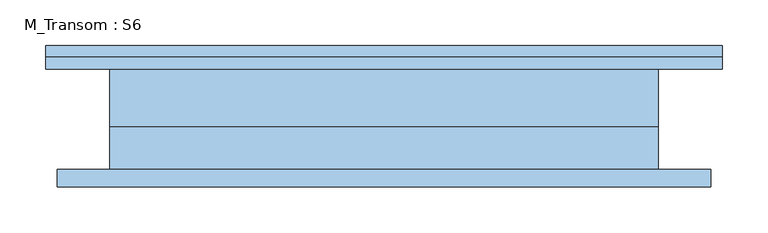
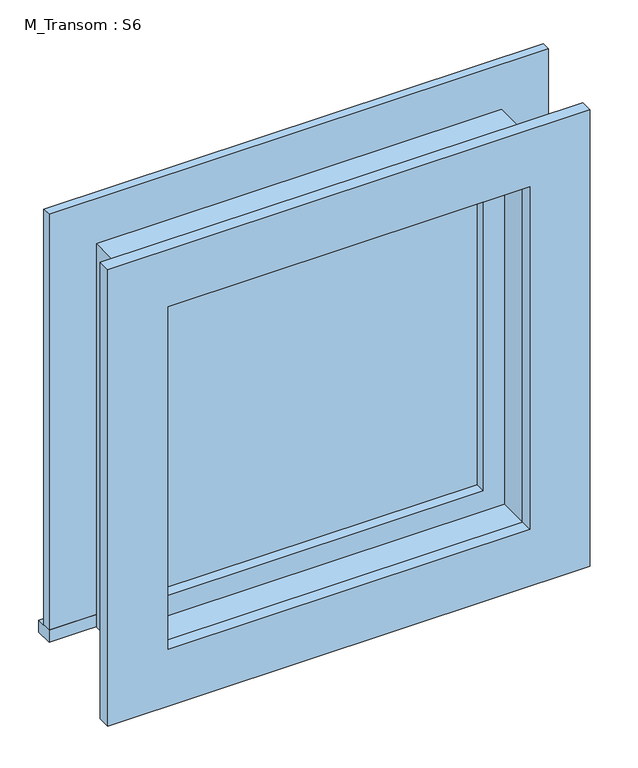
"""IFC4 building model written with IfcOpenShell, lengths in millimetres: window geometry, M_Transom : S6."""

import ifcopenshell
import ifcopenshell.guid

model = None  # the IFC model being written
_history = None  # IfcOwnerHistory: only IFC2X3 demands one
_inside = {}  # id of a spatial element -> (the spatial element, [elements in it])
_under = {}  # id of a project, library or spatial element -> (it, [spatial elements below it])
_declared = {}  # id of a project -> (the project, [libraries it declares])
_typed = {}  # id of a type object -> (the type object, [elements of that type])
_made_of = {}  # id of a material, layer set ... -> (it, [elements and type objects made of it])


def new_model(schema):
    """Start an empty IFC model of exactly this schema.

    Asked for "IFC4X3", IfcOpenShell would pick the latest addendum, in which some entities
    have other attributes; the version numbers below select the first issue.
    IFC2X3 requires an IfcOwnerHistory on every rooted entity: one is made here for all.
    """
    global model, _history
    if schema == "IFC4X3":
        model = ifcopenshell.file(schema_version=(4, 3, 0, 0))
    else:
        model = ifcopenshell.file(schema=schema)
    _inside.clear()
    _under.clear()
    _declared.clear()
    _typed.clear()
    _made_of.clear()
    _history = None
    if model.schema == "IFC2X3":
        org = make("IfcOrganization", Name="unknown")
        user = make(
            "IfcPersonAndOrganization",
            ThePerson=make("IfcPerson", FamilyName="unknown"),
            TheOrganization=org,
        )
        app = make(
            "IfcApplication",
            ApplicationDeveloper=org,
            Version="unknown",
            ApplicationFullName="unknown",
            ApplicationIdentifier="unknown",
        )
        _history = make(
            "IfcOwnerHistory",
            OwningUser=user,
            OwningApplication=app,
            ChangeAction="ADDED",
            CreationDate=0,
        )
    return model


def make(cls, **values):
    """One entity of the class cls with the attributes given. An attribute that is None is left unset."""
    return model.create_entity(
        cls, **{name: value for name, value in values.items() if value is not None}
    )


def rooted(cls, **values):
    """An entity with a GlobalId (a new one), such as an element, a storey or a relation."""
    return make(cls, GlobalId=ifcopenshell.guid.new(), OwnerHistory=_history, **values)


def si_unit(unit_type, name, prefix=None):
    """IfcSIUnit, for example si_unit("LENGTHUNIT", "METRE", prefix="MILLI")."""
    return make("IfcSIUnit", UnitType=unit_type, Prefix=prefix, Name=name)


def assignment(units):
    """IfcUnitAssignment: the units of a project."""
    return None if units is None else make("IfcUnitAssignment", Units=units)


def point(xyz):
    """IfcCartesianPoint."""
    return None if xyz is None else make("IfcCartesianPoint", Coordinates=xyz)


def direction(xyz):
    """IfcDirection."""
    return None if xyz is None else make("IfcDirection", DirectionRatios=xyz)


def frame(location, z_axis=None, x_axis=None):
    """IfcAxis2Placement3D, a coordinate frame: its origin and axes. An axis left out is left unset."""
    return make(
        "IfcAxis2Placement3D",
        Location=point(location),
        Axis=direction(z_axis),
        RefDirection=direction(x_axis),
    )


def origin():
    """The frame at (0, 0, 0) with its axes left unset."""
    return frame((0.0, 0.0, 0.0))


def place(relative_to, where):
    """IfcLocalPlacement: puts the frame where relative to a parent placement (None: the world)."""
    return make(
        "IfcLocalPlacement", PlacementRelTo=relative_to, RelativePlacement=where
    )


def context(
    kind, dimensions, precision=None, world=None, true_north=None, identifier=None
):
    """IfcGeometricRepresentationContext, for example the 3D "Model" context."""
    return make(
        "IfcGeometricRepresentationContext",
        ContextIdentifier=identifier,
        ContextType=kind,
        CoordinateSpaceDimension=dimensions,
        Precision=precision,
        WorldCoordinateSystem=world,
        TrueNorth=true_north,
    )


def project(units=None, contexts=None):
    """IfcProject with its units and contexts."""
    return rooted(
        "IfcProject",
        Name="project",
        RepresentationContexts=contexts,
        UnitsInContext=assignment(units),
    )


def spatial(cls, under=None, at=None, **own):
    """A site, building, storey or space (cls), placed at a placement, below another one or the project."""
    s = rooted(cls, ObjectPlacement=at, **own)
    if under is not None:
        _under.setdefault(under.id(), (under, []))[1].append(s)
    return s


def polyline(points):
    """IfcPolyline through the points."""
    return make("IfcPolyline", Points=[point(p) for p in points])


def outline(outer, holes=None, kind="AREA"):
    """IfcArbitraryClosedProfileDef: a profile drawn as a closed curve; with holes, ...WithVoids."""
    if holes is None:
        return make("IfcArbitraryClosedProfileDef", ProfileType=kind, OuterCurve=outer)
    return make(
        "IfcArbitraryProfileDefWithVoids",
        ProfileType=kind,
        OuterCurve=outer,
        InnerCurves=holes,
    )


def extrude(swept, where, along, depth):
    """IfcExtrudedAreaSolid: the profile swept, set in the frame where, extruded along a direction by depth."""
    return make(
        "IfcExtrudedAreaSolid",
        SweptArea=swept,
        Position=where,
        ExtrudedDirection=direction(along),
        Depth=depth,
    )


def shape(context_of_items, identifier, shape_type, items):
    """IfcShapeRepresentation: the items that make up one representation, for example the "Body"."""
    return make(
        "IfcShapeRepresentation",
        ContextOfItems=context_of_items,
        RepresentationIdentifier=identifier,
        RepresentationType=shape_type,
        Items=items,
    )


def source(mapping_origin, context_of_items, identifier, shape_type, items):
    """IfcRepresentationMap: a shape defined once, which mapped items show again and again."""
    return make(
        "IfcRepresentationMap",
        MappingOrigin=mapping_origin,
        MappedRepresentation=shape(context_of_items, identifier, shape_type, items),
    )


def transform(
    local_origin,
    x_axis=None,
    y_axis=None,
    z_axis=None,
    scale=None,
    scale2=None,
    scale3=None,
    uniform=True,
):
    """IfcCartesianTransformationOperator3D, or its non-uniform kind. x_axis, y_axis, z_axis: its Axis1, 2, 3."""
    if uniform:
        return make(
            "IfcCartesianTransformationOperator3D",
            Axis1=direction(x_axis),
            Axis2=direction(y_axis),
            LocalOrigin=point(local_origin),
            Scale=scale,
            Axis3=direction(z_axis),
        )
    return make(
        "IfcCartesianTransformationOperator3DnonUniform",
        Axis1=direction(x_axis),
        Axis2=direction(y_axis),
        LocalOrigin=point(local_origin),
        Scale=scale,
        Axis3=direction(z_axis),
        Scale2=scale2,
        Scale3=scale3,
    )


def mapped(mapping_source, mapping_target):
    """IfcMappedItem: shows the shape of a source again, moved by a transform."""
    return make(
        "IfcMappedItem", MappingSource=mapping_source, MappingTarget=mapping_target
    )


def made_of(thing, what):
    """Note that an element or type object is made of a material, layer set ...; save() writes the relation."""
    if what is not None:
        _made_of.setdefault(what.id(), (what, []))[1].append(thing)
    return thing


def element(
    cls,
    number,
    at=None,
    inside=None,
    cuts=None,
    type_object=None,
    material=None,
    context=None,
    identifier="Body",
    shape_type=None,
    held_by="IfcProductDefinitionShape",
    body=None,
    shapes=None,
    **own,
):
    """One element of the class cls, such as IfcWall. Its Tag is "e" and its number.

    at: its placement. inside: the storey or other place that contains it. cuts: it is an
    opening in that element (IfcRelVoidsElement). A single representation is given by context,
    identifier, shape_type and body (its items); several are given by shapes. held_by: the class
    of the entity that holds the representations. save() writes the other relations.
    """
    e = rooted(cls, Tag="e%d" % number, ObjectPlacement=at, **own)
    if body is not None:
        shapes = [shape(context, identifier, shape_type, body)]
    if shapes is not None:
        e.Representation = make(held_by, Representations=shapes)
    if inside is not None:
        _inside.setdefault(inside.id(), (inside, []))[1].append(e)
    if cuts is not None:
        rooted(
            "IfcRelVoidsElement", RelatingBuildingElement=cuts, RelatedOpeningElement=e
        )
    if type_object is not None:
        _typed.setdefault(type_object.id(), (type_object, []))[1].append(e)
    return made_of(e, material)


def aggregate(whole, parts):
    """IfcRelAggregates: a whole, such as a stair, and the parts it consists of."""
    return rooted("IfcRelAggregates", RelatingObject=whole, RelatedObjects=parts)


def save(model, path):
    """Write the relations noted so far, then the file.

    IfcRelAggregates (storeys below a building ...), IfcRelContainedInSpatialStructure (elements
    in a storey), IfcRelDefinesByType, IfcRelAssociatesMaterial and IfcRelDeclares: one each for
    every whole, place, type object, material and project.
    """
    for whole, parts in _under.values():
        aggregate(whole, parts)
    for where, things in _inside.values():
        rooted(
            "IfcRelContainedInSpatialStructure",
            RelatedElements=things,
            RelatingStructure=where,
        )
    for kind, things in _typed.values():
        rooted("IfcRelDefinesByType", RelatedObjects=things, RelatingType=kind)
    for what, things in _made_of.values():
        rooted("IfcRelAssociatesMaterial", RelatedObjects=things, RelatingMaterial=what)
    for by, libraries in _declared.values():
        rooted("IfcRelDeclares", RelatingContext=by, RelatedDefinitions=libraries)
    model.write(path)


def m_transom_s6_bc3c97d9(model_context):
    return source(origin(), model_context, "Body", "SweptSolid", [
        extrude(outline(polyline([(-408.05, 80.7), (331.85, 80.7), (331.85, 55.0), (-408.05, 55.0), (-408.05, 80.7)])), frame((0.0, 0.0, 2159.0), z_axis=(0.0, 0.0, 1.0), x_axis=(1.0, 0.0, 0.0)), (0.0, 0.0, 1.0), 19.05),
        extrude(outline(polyline([(2739.95, -319.05), (2739.95, 242.85), (2178.05, 242.85), (2178.05, 331.85), (2828.95, 331.85), (2828.95, -408.05), (2178.05, -408.05), (2178.05, -319.05), (2739.95, -319.05)])), frame((0.0, 55.0, 0.0), z_axis=(0.0, 1.0, 0.0), x_axis=(0.0, 0.0, 1.0)), (0.0, 0.0, 1.0), 13.0),
        extrude(outline(polyline([(2816.25, 319.15), (2816.25, -395.35), (2101.75, -395.35), (2101.75, 319.15), (2816.25, 319.15)]), holes=[polyline([(2727.25, 230.15), (2190.75, 230.15), (2190.75, -306.35), (2727.25, -306.35), (2727.25, 230.15)])]), frame((0.0, -74.0, 0.0), z_axis=(0.0, 1.0, 0.0), x_axis=(0.0, 0.0, 1.0)), (0.0, 0.0, 1.0), 19.0),
        extrude(outline(polyline([(198.4, 7.425), (-274.6, 7.425), (-274.6, 20.125), (198.4, 20.125), (198.4, 7.425)])), frame((0.0, 0.0, 2222.5), z_axis=(0.0, 0.0, 1.0), x_axis=(1.0, 0.0, 0.0)), (0.0, 0.0, 1.0), 473.0),
        extrude(outline(polyline([(2739.95, -319.05), (2178.05, -319.05), (2178.05, 242.85), (2739.95, 242.85), (2739.95, -319.05)]), holes=[polyline([(2695.5, -274.6), (2695.5, 198.4), (2222.5, 198.4), (2222.5, -274.6), (2695.5, -274.6)])]), frame((0.0, -8.45, 0.0), z_axis=(0.0, 1.0, 0.0), x_axis=(0.0, 0.0, 1.0)), (0.0, 0.0, 1.0), 44.45),
        extrude(outline(polyline([(2759.0, -338.1), (2159.0, -338.1), (2159.0, 261.9), (2759.0, 261.9), (2759.0, -338.1)]), holes=[polyline([(2727.25, -306.35), (2727.25, 230.15), (2190.75, 230.15), (2190.75, -306.35), (2727.25, -306.35)])]), frame((0.0, -55.0, 0.0), z_axis=(0.0, 1.0, 0.0), x_axis=(0.0, 0.0, 1.0)), (0.0, 0.0, 1.0), 46.55),
        extrude(outline(polyline([(2759.0, 261.9), (2759.0, -338.1), (2159.0, -338.1), (2159.0, 261.9), (2759.0, 261.9)]), holes=[polyline([(2739.95, 242.85), (2178.05, 242.85), (2178.05, -319.05), (2739.95, -319.05), (2739.95, 242.85)])]), frame((0.0, -8.45, 0.0), z_axis=(0.0, 1.0, 0.0), x_axis=(0.0, 0.0, 1.0)), (0.0, 0.0, 1.0), 63.45),
    ])


if __name__ == "__main__":
    model = new_model("IFC4")
    model_context = context("Model", 3, world=origin())
    ifc_project = project(units=[si_unit("LENGTHUNIT", "METRE", prefix="MILLI")], contexts=[model_context])
    site = spatial("IfcSite", under=ifc_project)
    building = spatial("IfcBuilding", under=site)
    placement = place(None, origin())
    m_transom_s6_shape = m_transom_s6_bc3c97d9(model_context)
    element("IfcWindow", 1, ObjectType="M_Transom : S6", at=placement, inside=building, context=model_context, shape_type="MappedRepresentation", body=[
        mapped(m_transom_s6_shape, transform((0.0, 0.0, 0.0), x_axis=(1.0, 0.0, 0.0), y_axis=(0.0, 1.0, 0.0), z_axis=(0.0, 0.0, 1.0))),
    ])
    save(model, "model.ifc")
